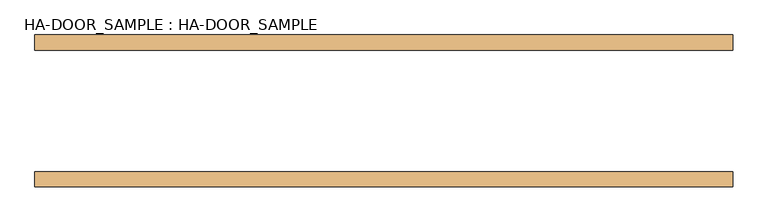
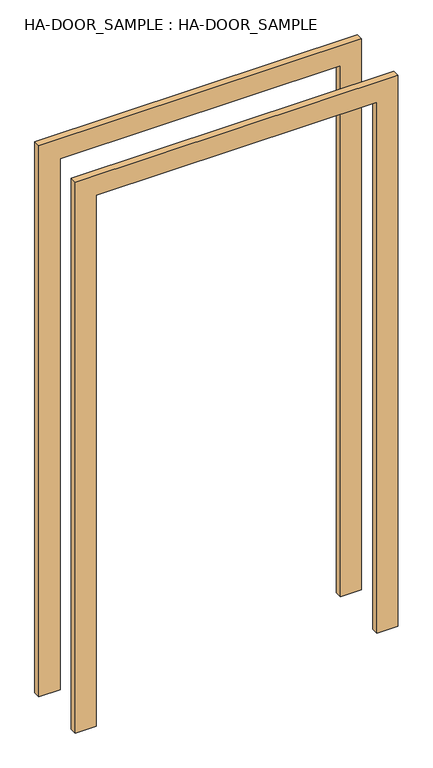
"""IFC4 building model written with IfcOpenShell, lengths in millimetres: door geometry, HA-DOOR_SAMPLE : HA-DOOR_SAMPLE."""

from ifc_helpers import new_model, si_unit, frame, origin, place, context, project, spatial, polyline, outline, extrude, source, transform, mapped, element, save


def ha_door_sample_ha_door_sample_082b74d6(model_context):
    return source(origin(), model_context, "Body", "SweptSolid", [
        extrude(outline(polyline([(2000.0, -500.0), (2000.0, 500.0), (0.0, 500.0), (0.0, 575.0), (2075.0, 575.0), (2075.0, -575.0), (0.0, -575.0), (0.0, -500.0), (2000.0, -500.0)])), frame((0.0, 100.0, 0.0), z_axis=(0.0, 1.0, 0.0), x_axis=(0.0, 0.0, 1.0)), (0.0, 0.0, 1.0), 25.0),
        extrude(outline(polyline([(2075.0, -575.0), (0.0, -575.0), (0.0, -500.0), (2000.0, -500.0), (2000.0, 500.0), (0.0, 500.0), (0.0, 575.0), (2075.0, 575.0), (2075.0, -575.0)])), frame((0.0, -125.0, 0.0), z_axis=(0.0, 1.0, 0.0), x_axis=(0.0, 0.0, 1.0)), (0.0, 0.0, 1.0), 25.0),
    ])


if __name__ == "__main__":
    model = new_model("IFC4")
    model_context = context("Model", 3, world=origin())
    ifc_project = project(units=[si_unit("LENGTHUNIT", "METRE", prefix="MILLI")], contexts=[model_context])
    site = spatial("IfcSite", under=ifc_project)
    building = spatial("IfcBuilding", under=site)
    placement = place(None, origin())
    ha_door_sample_ha_door_sample_shape = ha_door_sample_ha_door_sample_082b74d6(model_context)
    element("IfcDoor", 1, ObjectType="HA-DOOR_SAMPLE : HA-DOOR_SAMPLE", at=placement, inside=building, context=model_context, shape_type="MappedRepresentation", body=[
        mapped(ha_door_sample_ha_door_sample_shape, transform((0.0, 0.0, 0.0), x_axis=(1.0, 0.0, 0.0), y_axis=(0.0, 1.0, 0.0), z_axis=(0.0, 0.0, 1.0))),
    ])
    save(model, "model.ifc")
